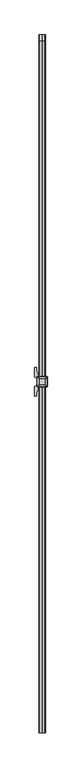
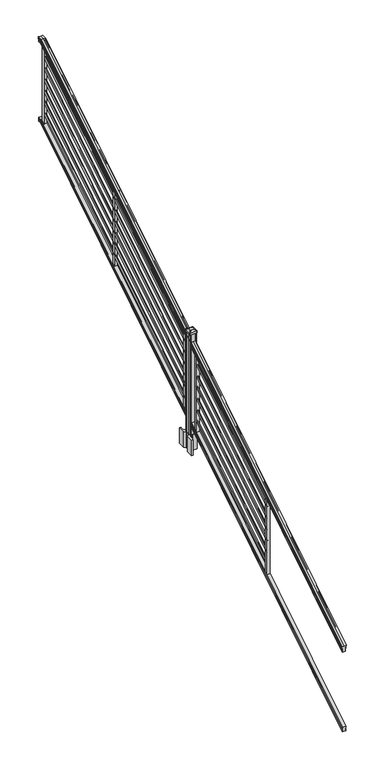
"""IFC4 building model written with IfcOpenShell, lengths in millimetres: railing geometry."""

from ifc_helpers import new_model, si_unit, point, frame, frame_2d, origin, origin_2d, place, context, project, spatial, polyline, circle_curve, ellipse_curve, trimmed, segment, composite_curve, outline, extrude, faceted_brep, source, transform, mapped, element, save
from ifc_brep_helpers import plane_surface, cylinder_surface, revolved_surface, extruded_surface, advanced_brep


def railing_422adc8f(model_context):
    return source(origin(), model_context, "Body", "SolidModel", [
        advanced_brep(
        [(8349.0704765, -142728.8628453, 1117.9670492), (8349.0704765, -142728.8628453, 1120.1935658), (8350.2006628, -142728.8628453, 1122.0358543), (8350.2006628, -142728.8628453, 1130.5476358), (8349.5514064, -142728.8628453, 1133.4172588), (8352.0514064, -142728.8628453, 1138.5235509), (8353.4607489, -142728.8628453, 1140.5042021), (8353.8626479, -142728.8628453, 1141.8069579), (8353.8626478, -142728.8628453, 1143.3874846), (8352.3092005, -142728.8628453, 1145.2193836), (8331.6376478, -142728.8628453, 1145.2193836), (8310.966095, -142728.8628453, 1145.2193836), (8309.4126478, -142728.8628453, 1143.3874846), (8309.4126478, -142728.8628453, 1141.8069579), (8309.8145467, -142728.8628453, 1140.5042021), (8311.2238891, -142728.8628453, 1138.5235509), (8313.7238891, -142728.8628453, 1133.4172588), (8313.0746327, -142728.8628453, 1130.5476358), (8313.0746327, -142728.8628453, 1122.0358543), (8314.204819, -142728.8628453, 1120.1935658), (8314.204819, -142728.8628453, 1117.9670492), (8316.7786478, -142728.8628453, 1117.9670492), (8316.7786478, -142728.8628453, 1105.585537), (8315.7626478, -142728.8628453, 1104.3874214), (8315.7626478, -142728.8628453, 1089.66), (8347.5126478, -142728.8628453, 1089.66), (8347.5126478, -142728.8628453, 1104.201318), (8346.4966478, -142728.8628453, 1105.3994336), (8346.4966478, -142728.8628453, 1117.9670492), (8349.0704765, -137852.0628453, 4142.6143297), (8346.4966478, -137852.0628453, 4142.6143297), (8346.4966478, -137852.0628453, 4131.957013), (8347.5126478, -137852.0628453, 4130.941013), (8347.5126478, -137852.0628453, 4118.61), (8315.7626478, -137852.0628453, 4118.61), (8315.7626478, -137852.0628453, 4131.0988283), (8316.7786478, -137852.0628453, 4132.1148283), (8316.7786478, -137852.0628453, 4142.6143297), (8314.204819, -137852.0628453, 4142.6143297), (8314.204819, -137852.0628453, 4144.502412), (8313.0746327, -137852.0628453, 4146.0646695), (8313.0746327, -137852.0628453, 4153.2826458), (8313.7238891, -137852.0628453, 4155.7160812), (8311.2238891, -137852.0628453, 4160.0462082), (8309.8145467, -137852.0628453, 4161.7257972), (8309.4126477, -137852.0628453, 4162.8305318), (8309.4126478, -137852.0628453, 4164.1708158), (8310.966095, -137852.0628453, 4165.724263), (8331.6376478, -137852.0628453, 4165.724263), (8352.3092005, -137852.0628453, 4165.724263), (8353.8626478, -137852.0628453, 4164.1708158), (8353.8626478, -137852.0628453, 4162.8305318), (8353.4607489, -137852.0628453, 4161.7257972), (8352.0514064, -137852.0628453, 4160.0462082), (8349.5514064, -137852.0628453, 4155.7160812), (8350.2006628, -137852.0628453, 4153.2826458), (8350.2006628, -137852.0628453, 4146.0646695), (8349.0704765, -137852.0628453, 4144.502412), (8346.4966478, -137889.4271965, 4142.6143297), (8349.0704765, -137889.4271965, 4142.6143297), (8346.4966478, -137886.3707182, 4131.957013), (8347.5126478, -137886.0793333, 4130.941013), (8347.5126478, -137882.5428453, 4118.61), (8315.7626478, -137882.5428453, 4118.61), (8315.7626478, -137886.1245941, 4131.0988283), (8316.7786478, -137886.4159791, 4132.1148283), (8316.7786478, -137889.4271965, 4142.6143297), (8314.204819, -137889.4271965, 4142.6143297), (8314.204819, -137889.9686913, 4144.502412), (8313.0746327, -137890.4167409, 4146.0646695), (8313.0746327, -137892.4868293, 4153.2826458), (8313.7238891, -137893.1847294, 4155.7160812), (8311.2238891, -137894.4265935, 4160.0462082), (8309.8145467, -137894.9082932, 4161.7257972), (8309.4126477, -137895.2251269, 4162.8305318), (8309.4126478, -137895.6095153, 4164.1708158), (8310.966095, -137896.0550381, 4165.724263), (8331.6376478, -137896.0550381, 4165.724263), (8352.3092005, -137896.0550381, 4165.724263), (8353.8626478, -137895.6095153, 4164.1708158), (8353.8626478, -137895.2251269, 4162.8305318), (8353.4607489, -137894.9082932, 4161.7257972), (8352.0514064, -137894.4265935, 4160.0462082), (8349.5514064, -137893.1847294, 4155.7160812), (8350.2006628, -137892.4868293, 4153.2826458), (8350.2006628, -137890.4167409, 4146.0646695), (8349.0704765, -137889.9686913, 4144.502412)],
        [
            (0, 1),
            (1, 2, ellipse_curve(frame((8342.7557232, -142728.8628453, 1126.9839405), z_axis=(0.0, -1.0, 0.0), x_axis=(0.0, 0.0, -1.0)), 10.0777926, 8.545951)),
            (2, 3, ellipse_curve(frame((8343.1927862, -142728.8628453, 1126.2917451), z_axis=(0.0, -1.0, 0.0), x_axis=(0.0, 0.0, -1.0)), 9.2955186, 7.882584)),
            (3, 4, ellipse_curve(frame((8353.7061103, -142728.8628453, 1133.1875077), z_axis=(0.0, 1.0, 0.0), x_axis=(0.0, 0.0, 1.0)), 4.9048088, 4.1592695)),
            (4, 5, ellipse_curve(frame((8354.9934169, -142728.8628453, 1133.1163208), z_axis=(0.0, 1.0, 0.0), x_axis=(0.0, 0.0, 1.0)), 6.4245301, 5.4479907)),
            (5, 6, ellipse_curve(frame((8353.7602584, -142728.8628453, 1138.5202333), z_axis=(0.0, 1.0, 0.0), x_axis=(0.0, 0.0, 1.0)), 2.0151625, 1.7088543)),
            (6, 7, ellipse_curve(frame((8352.1433583, -142728.8628453, 1141.8069579), z_axis=(0.0, -1.0, 0.0), x_axis=(0.0, 0.0, -1.0)), 2.0274681, 1.7192895)),
            (7, 8),
            (8, 9, ellipse_curve(frame((8352.3092005, -142728.8628453, 1143.3874846), z_axis=(0.0, -1.0, 0.0), x_axis=(0.0, 0.0, -1.0)), 1.831899, 1.5534472)),
            (9, 10),
            (10, 11),
            (11, 12, ellipse_curve(frame((8310.966095, -142728.8628453, 1143.3874846), z_axis=(0.0, -1.0, 0.0), x_axis=(0.0, 0.0, -1.0)), 1.831899, 1.5534472)),
            (12, 13),
            (13, 14, ellipse_curve(frame((8311.1319372, -142728.8628453, 1141.8069579), z_axis=(0.0, -1.0, 0.0), x_axis=(0.0, 0.0, -1.0)), 2.0274681, 1.7192895)),
            (14, 15, ellipse_curve(frame((8309.5150371, -142728.8628453, 1138.5202333), z_axis=(0.0, 1.0, 0.0), x_axis=(0.0, 0.0, 1.0)), 2.0151625, 1.7088543)),
            (15, 16, ellipse_curve(frame((8308.2818787, -142728.8628453, 1133.1163208), z_axis=(0.0, 1.0, 0.0), x_axis=(0.0, 0.0, 1.0)), 6.4245301, 5.4479907)),
            (16, 17, ellipse_curve(frame((8309.5691852, -142728.8628453, 1133.1875077), z_axis=(0.0, 1.0, 0.0), x_axis=(0.0, 0.0, 1.0)), 4.9048088, 4.1592695)),
            (17, 18, ellipse_curve(frame((8320.0825093, -142728.8628453, 1126.2917451), z_axis=(0.0, -1.0, 0.0), x_axis=(0.0, 0.0, -1.0)), 9.2955186, 7.882584)),
            (18, 19, ellipse_curve(frame((8320.5195723, -142728.8628453, 1126.9839405), z_axis=(0.0, -1.0, 0.0), x_axis=(0.0, 0.0, -1.0)), 10.0777926, 8.545951)),
            (19, 20),
            (20, 21, ellipse_curve(frame((8315.4917334, -142728.8628453, 1117.9670492), z_axis=(0.0, -1.0, 0.0), x_axis=(0.0, 0.0, -1.0)), 1.5175907, 1.2869144)),
            (21, 22),
            (22, 23),
            (23, 24),
            (24, 25),
            (25, 26),
            (26, 27),
            (27, 28),
            (28, 0, ellipse_curve(frame((8347.7835621, -142728.8628453, 1117.9670492), z_axis=(0.0, -1.0, 0.0), x_axis=(0.0, 0.0, -1.0)), 1.5175907, 1.2869144)),
            (29, 30, circle_curve(frame((8347.7835621, -137852.0628453, 4142.6143297), z_axis=(0.0, 1.0, 0.0), x_axis=(-1.0, 0.0, 0.0)), 1.2869144)),
            (30, 31),
            (31, 32),
            (32, 33),
            (33, 34),
            (34, 35),
            (35, 36),
            (36, 37),
            (37, 38, circle_curve(frame((8315.4917334, -137852.0628453, 4142.6143297), z_axis=(0.0, 1.0, 0.0), x_axis=(1.0, 0.0, 0.0)), 1.2869144)),
            (38, 39),
            (39, 40, circle_curve(frame((8320.5195723, -137852.0628453, 4150.2606383), z_axis=(0.0, 1.0, 0.0), x_axis=(1.0, 0.0, 0.0)), 8.545951)),
            (40, 41, circle_curve(frame((8320.0825093, -137852.0628453, 4149.6736577), z_axis=(0.0, 1.0, 0.0), x_axis=(1.0, 0.0, 0.0)), 7.882584)),
            (41, 42, circle_curve(frame((8309.5691852, -137852.0628453, 4155.5212527), z_axis=(0.0, -1.0, 0.0), x_axis=(1.0, 0.0, 0.0)), 4.1592695)),
            (42, 43, circle_curve(frame((8308.2818787, -137852.0628453, 4155.4608864), z_axis=(0.0, -1.0, 0.0), x_axis=(1.0, 0.0, 0.0)), 5.4479907)),
            (43, 44, circle_curve(frame((8309.5150371, -137852.0628453, 4160.043395), z_axis=(0.0, -1.0, 0.0), x_axis=(1.0, 0.0, 0.0)), 1.7088543)),
            (44, 45, circle_curve(frame((8311.1319372, -137852.0628453, 4162.8305318), z_axis=(0.0, 1.0, 0.0), x_axis=(1.0, 0.0, 0.0)), 1.7192895)),
            (45, 46),
            (46, 47, circle_curve(frame((8310.966095, -137852.0628453, 4164.1708158), z_axis=(0.0, 1.0, 0.0), x_axis=(1.0, 0.0, 0.0)), 1.5534472)),
            (47, 48),
            (48, 49),
            (49, 50, circle_curve(frame((8352.3092005, -137852.0628453, 4164.1708158), z_axis=(0.0, 1.0, 0.0), x_axis=(-1.0, 0.0, 0.0)), 1.5534472)),
            (50, 51),
            (51, 52, circle_curve(frame((8352.1433583, -137852.0628453, 4162.8305318), z_axis=(0.0, 1.0, 0.0), x_axis=(-1.0, 0.0, 0.0)), 1.7192895)),
            (52, 53, circle_curve(frame((8353.7602584, -137852.0628453, 4160.043395), z_axis=(0.0, -1.0, 0.0), x_axis=(-1.0, 0.0, 0.0)), 1.7088543)),
            (53, 54, circle_curve(frame((8354.9934169, -137852.0628453, 4155.4608864), z_axis=(0.0, -1.0, 0.0), x_axis=(-1.0, 0.0, 0.0)), 5.4479907)),
            (54, 55, circle_curve(frame((8353.7061103, -137852.0628453, 4155.5212527), z_axis=(0.0, -1.0, 0.0), x_axis=(-1.0, 0.0, 0.0)), 4.1592695)),
            (55, 56, circle_curve(frame((8343.1927862, -137852.0628453, 4149.6736577), z_axis=(0.0, 1.0, 0.0), x_axis=(-1.0, 0.0, 0.0)), 7.882584)),
            (56, 57, circle_curve(frame((8342.7557232, -137852.0628453, 4150.2606383), z_axis=(0.0, 1.0, 0.0), x_axis=(-1.0, 0.0, 0.0)), 8.545951)),
            (57, 29),
            (28, 58),
            (58, 59, ellipse_curve(frame((8347.7835621, -137889.4271965, 4142.6143297), z_axis=(0.0, -0.9612487461643644, -0.2756825130425167), x_axis=(0.0, 0.2756825130425169, -0.9612487461643643)), 1.3387943, 1.2869144)),
            (59, 0),
            (27, 60),
            (60, 58),
            (26, 61),
            (61, 60),
            (25, 62),
            (62, 61),
            (24, 63),
            (63, 62),
            (23, 64),
            (64, 63),
            (22, 65),
            (65, 64),
            (21, 66),
            (66, 65),
            (20, 67),
            (67, 66, ellipse_curve(frame((8315.4917334, -137889.4271965, 4142.6143297), z_axis=(0.0, -0.9612487461643644, -0.2756825130425167), x_axis=(0.0, 0.2756825130425169, -0.9612487461643643)), 1.3387943, 1.2869144)),
            (19, 68),
            (68, 67),
            (18, 69),
            (69, 68, ellipse_curve(frame((8320.5195723, -137891.6201289, 4150.2606383), z_axis=(0.0, -0.9612487461643644, -0.2756825130425167), x_axis=(0.0, 0.2756825130425169, -0.9612487461643643)), 8.8904678, 8.545951)),
            (17, 70),
            (70, 69, ellipse_curve(frame((8320.0825093, -137891.4517851, 4149.6736577), z_axis=(0.0, -0.9612487461643644, -0.2756825130425167), x_axis=(0.0, 0.2756825130425169, -0.9612487461643643)), 8.2003581, 7.882584)),
            (16, 71),
            (71, 70, ellipse_curve(frame((8309.5691852, -137893.1288533, 4155.5212527), z_axis=(0.0, 0.9612487461643644, 0.2756825130425167), x_axis=(0.0, -0.2756825130425169, 0.9612487461643643)), 4.326944, 4.1592695)),
            (15, 72),
            (72, 71, ellipse_curve(frame((8308.2818787, -137893.1115404, 4155.4608864), z_axis=(0.0, 0.9612487461643644, 0.2756825130425167), x_axis=(0.0, -0.2756825130425169, 0.9612487461643643)), 5.667618, 5.4479907)),
            (14, 73),
            (73, 72, ellipse_curve(frame((8309.5150371, -137894.4257866, 4160.043395), z_axis=(0.0, 0.9612487461643644, 0.2756825130425167), x_axis=(0.0, -0.2756825130425169, 0.9612487461643643)), 1.7777442, 1.7088543)),
            (13, 74),
            (74, 73, ellipse_curve(frame((8311.1319372, -137895.2251269, 4162.8305318), z_axis=(0.0, -0.9612487461643644, -0.2756825130425167), x_axis=(0.0, 0.2756825130425169, -0.9612487461643643)), 1.7886, 1.7192895)),
            (12, 75),
            (75, 74),
            (11, 76),
            (76, 75, ellipse_curve(frame((8310.966095, -137895.6095153, 4164.1708158), z_axis=(0.0, -0.9612487461643644, -0.2756825130425167), x_axis=(0.0, 0.2756825130425169, -0.9612487461643643)), 1.6160721, 1.5534472)),
            (10, 77),
            (77, 76),
            (9, 78),
            (78, 77),
            (8, 79),
            (79, 78, ellipse_curve(frame((8352.3092005, -137895.6095153, 4164.1708158), z_axis=(0.0, -0.9612487461643644, -0.2756825130425167), x_axis=(0.0, 0.2756825130425169, -0.9612487461643643)), 1.6160721, 1.5534472)),
            (7, 80),
            (80, 79),
            (6, 81),
            (81, 80, ellipse_curve(frame((8352.1433583, -137895.2251269, 4162.8305318), z_axis=(0.0, -0.9612487461643644, -0.2756825130425167), x_axis=(0.0, 0.2756825130425169, -0.9612487461643643)), 1.7886, 1.7192895)),
            (5, 82),
            (82, 81, ellipse_curve(frame((8353.7602584, -137894.4257866, 4160.043395), z_axis=(0.0, 0.9612487461643644, 0.2756825130425167), x_axis=(0.0, -0.2756825130425169, 0.9612487461643643)), 1.7777442, 1.7088543)),
            (4, 83),
            (83, 82, ellipse_curve(frame((8354.9934169, -137893.1115404, 4155.4608864), z_axis=(0.0, 0.9612487461643644, 0.2756825130425167), x_axis=(0.0, -0.2756825130425169, 0.9612487461643643)), 5.667618, 5.4479907)),
            (3, 84),
            (84, 83, ellipse_curve(frame((8353.7061103, -137893.1288533, 4155.5212527), z_axis=(0.0, 0.9612487461643644, 0.2756825130425167), x_axis=(0.0, -0.2756825130425169, 0.9612487461643643)), 4.326944, 4.1592695)),
            (2, 85),
            (85, 84, ellipse_curve(frame((8343.1927862, -137891.4517851, 4149.6736577), z_axis=(0.0, -0.9612487461643644, -0.2756825130425167), x_axis=(0.0, 0.2756825130425169, -0.9612487461643643)), 8.2003581, 7.882584)),
            (1, 86),
            (86, 85, ellipse_curve(frame((8342.7557232, -137891.6201289, 4150.2606383), z_axis=(0.0, -0.9612487461643644, -0.2756825130425167), x_axis=(0.0, 0.2756825130425169, -0.9612487461643643)), 8.8904678, 8.545951)),
            (59, 86),
            (58, 30),
            (29, 59),
            (60, 31),
            (61, 32),
            (62, 33),
            (63, 34),
            (64, 35),
            (65, 36),
            (66, 37),
            (67, 38),
            (68, 39),
            (69, 40),
            (70, 41),
            (71, 42),
            (72, 43),
            (73, 44),
            (74, 45),
            (75, 46),
            (76, 47),
            (77, 48),
            (78, 49),
            (79, 50),
            (80, 51),
            (81, 52),
            (82, 53),
            (83, 54),
            (84, 55),
            (85, 56),
            (86, 57),
        ],
        [
            plane_surface(frame((8331.6376478, -142728.8628453, 1089.66), z_axis=(0.0, -1.0, 0.0), x_axis=(0.0, 0.0, 1.0))),
            plane_surface(frame((8331.6376478, -137852.0628453, 4118.61), z_axis=(0.0, 1.0, 0.0), x_axis=(0.0, 0.0, 1.0))),
            cylinder_surface(frame((8347.7835621, -142741.5851146, 1110.0156309), z_axis=(0.0, -0.8479983040051253, -0.5299989400031204), x_axis=(-1.0, 0.0, 0.0)), 1.2869144),
            plane_surface(frame((8346.4966478, -142728.8628453, 1105.3994336), z_axis=(1.0, 0.0, 0.0), x_axis=(0.0, 0.8479983040051258, 0.5299989400031196))),
            plane_surface(frame((8347.5126478, -142728.8628453, 1104.201318), z_axis=(0.707106781186539, -0.37476584449789463, 0.599625351196722), x_axis=(0.0, 0.8479983040051247, 0.5299989400031213))),
            plane_surface(frame((8347.5126478, -142728.8628453, 1089.66), z_axis=(1.0000000000000002, 0.0, 0.0), x_axis=(0.0, 0.8479983040051253, 0.5299989400031204))),
            plane_surface(frame((8315.7626478, -142728.8628453, 1089.66), z_axis=(0.0, 0.5299989400031204, -0.8479983040051252), x_axis=(0.0, 0.8479983040051252, 0.5299989400031204))),
            plane_surface(frame((8315.7626478, -142728.8628453, 1104.3874214), z_axis=(-1.0, 0.0, 0.0), x_axis=(0.0, 0.8479983040051248, 0.5299989400031211))),
            plane_surface(frame((8316.7786478, -142728.8628453, 1105.585537), z_axis=(-0.7071067811865438, -0.37476584449789047, 0.5996253511967189), x_axis=(0.0, 0.8479983040051248, 0.5299989400031213))),
            plane_surface(frame((8316.7786478, -142728.8628453, 1117.9670492), z_axis=(-1.0, 0.0, 0.0), x_axis=(0.0, 0.8479983040051253, 0.5299989400031203))),
            cylinder_surface(frame((8315.4917334, -142741.5851146, 1110.0156309), z_axis=(0.0, -0.8479983040051253, -0.5299989400031204), x_axis=(1.0, 0.0, 0.0)), 1.2869144),
            plane_surface(frame((8314.204819, -142728.8628453, 1120.1935658), z_axis=(-1.0000000000000002, 0.0, 0.0), x_axis=(0.0, 0.8479983040051249, 0.5299989400031211))),
            cylinder_surface(frame((8320.5195723, -142745.63765, 1116.4996876), z_axis=(0.0, -0.8479983040051253, -0.5299989400031204), x_axis=(1.0, 0.0, 0.0)), 8.545951),
            cylinder_surface(frame((8320.0825093, -142745.3265509, 1116.001929), z_axis=(0.0, -0.8479983040051253, -0.5299989400031204), x_axis=(1.0, 0.0, 0.0)), 7.882584),
            revolved_surface(polyline([(8313.7284547, -137892.1173076721, 4156.153468716956), (8313.7284547, -142731.06725374944, 1131.8097524191019)]), (8309.5691852, -142748.4257701, 1120.9606797), (0.0, 0.8479983040051253, 0.5299989400031204)),
            revolved_surface(polyline([(8313.7298694, -137891.78657425637, 4156.288990189309), (8313.7298694, -142731.75027455282, 1131.3116775044994)]), (8308.2818787, -142748.393776, 1120.9094891), (0.0, 0.8479983040051253, 0.5299989400031204)),
            revolved_surface(polyline([(8311.2238914, -137894.01018858227, 4160.303143773098), (8311.2238914, -142729.76853632246, 1137.9541764359478)]), (8309.5150371, -142750.8225007, 1124.7954487), (0.0, 0.8479983040051253, 0.5299989400031204)),
            cylinder_surface(frame((8311.1319372, -142752.2996803, 1127.158936), z_axis=(0.0, -0.8479983040051253, -0.5299989400031204), x_axis=(1.0, 0.0, 0.0)), 1.7192895),
            plane_surface(frame((8309.4126478, -142728.8628453, 1143.3874846), z_axis=(-1.0, 0.0, 0.0), x_axis=(0.0, 0.8479983040051248, 0.5299989400031212))),
            cylinder_surface(frame((8310.966095, -142753.0100294, 1128.2954945), z_axis=(0.0, -0.8479983040051253, -0.5299989400031204), x_axis=(1.0, 0.0, 0.0)), 1.5534472),
            plane_surface(frame((8331.6376478, -142728.8628453, 1145.2193836), z_axis=(0.0, -0.5299989400031198, 0.8479983040051257), x_axis=(0.0, 0.8479983040051257, 0.5299989400031198))),
            plane_surface(frame((8352.3092005, -142728.8628453, 1145.2193836), z_axis=(0.0, -0.5299989400031198, 0.8479983040051257), x_axis=(0.0, 0.8479983040051257, 0.5299989400031198))),
            cylinder_surface(frame((8352.3092005, -142753.0100294, 1128.2954945), z_axis=(0.0, -0.8479983040051253, -0.5299989400031204), x_axis=(-1.0, 0.0, 0.0)), 1.5534472),
            plane_surface(frame((8353.8626478, -142728.8628453, 1141.8069579), z_axis=(1.0, 0.0, 0.0), x_axis=(0.0, 0.8479983040051257, 0.5299989400031198))),
            cylinder_surface(frame((8352.1433583, -142752.2996803, 1127.158936), z_axis=(0.0, -0.8479983040051253, -0.5299989400031204), x_axis=(-1.0, 0.0, 0.0)), 1.7192895),
            revolved_surface(polyline([(8352.051404099999, -137894.01018858227, 4160.303143773098), (8352.051404099999, -142729.76853632246, 1137.9541764359478)]), (8353.7602584, -142750.8225007, 1124.7954487), (0.0, 0.8479983040051253, 0.5299989400031204)),
            revolved_surface(polyline([(8349.5454262, -137891.78657425637, 4156.288990189309), (8349.5454262, -142731.75027455282, 1131.3116775044994)]), (8354.9934169, -142748.393776, 1120.9094891), (0.0, 0.8479983040051253, 0.5299989400031204)),
            revolved_surface(polyline([(8349.5468408, -137892.1173076721, 4156.153468716956), (8349.5468408, -142731.06725374944, 1131.8097524191019)]), (8353.7061103, -142748.4257701, 1120.9606797), (0.0, 0.8479983040051253, 0.5299989400031204)),
            cylinder_surface(frame((8343.1927862, -142745.3265509, 1116.001929), z_axis=(0.0, -0.8479983040051253, -0.5299989400031204), x_axis=(-1.0, 0.0, 0.0)), 7.882584),
            cylinder_surface(frame((8342.7557232, -142745.63765, 1116.4996876), z_axis=(0.0, -0.8479983040051253, -0.5299989400031204), x_axis=(-1.0, 0.0, 0.0)), 8.545951),
            plane_surface(frame((8349.0704765, -142728.8628453, 1117.9670492), z_axis=(1.0, 0.0, 0.0), x_axis=(0.0, 0.8479983040051253, 0.5299989400031203))),
            cylinder_surface(frame((8347.7835621, -137882.5428453, 4142.6143297), z_axis=(0.0, -1.0, 0.0), x_axis=(-1.0, 0.0, 0.0)), 1.2869144),
            plane_surface(frame((8346.4966478, -137886.3707182, 4131.957013), z_axis=(1.0, 0.0, 0.0), x_axis=(0.0, 1.0, 0.0))),
            plane_surface(frame((8347.5126478, -137886.0793333, 4130.941013), z_axis=(0.7071067811865398, 0.0, 0.7071067811865553), x_axis=(0.0, 1.0, 0.0))),
            plane_surface(frame((8347.5126478, -137882.5428453, 4118.61), z_axis=(1.0, 0.0, 0.0), x_axis=(0.0, 1.0, 0.0))),
            plane_surface(frame((8315.7626478, -137882.5428453, 4118.61), z_axis=(0.0, 0.0, -1.0), x_axis=(0.0, 1.0, 0.0))),
            plane_surface(frame((8315.7626478, -137886.1245941, 4131.0988283), z_axis=(-1.0, 0.0, 0.0), x_axis=(0.0, 1.0, 0.0))),
            plane_surface(frame((8316.7786478, -137886.4159791, 4132.1148283), z_axis=(-0.7071067811865428, 0.0, 0.7071067811865523), x_axis=(0.0, 1.0, 0.0))),
            plane_surface(frame((8316.7786478, -137889.4271965, 4142.6143297), z_axis=(-1.0, 0.0, 0.0), x_axis=(0.0, 1.0, 0.0))),
            cylinder_surface(frame((8315.4917334, -137882.5428453, 4142.6143297), z_axis=(0.0, -1.0, 0.0), x_axis=(1.0, 0.0, 0.0)), 1.2869144),
            plane_surface(frame((8314.204819, -137889.9686913, 4144.502412), z_axis=(-1.0, 0.0, 0.0), x_axis=(0.0, 1.0, 0.0))),
            cylinder_surface(frame((8320.5195723, -137882.5428453, 4150.2606383), z_axis=(0.0, -1.0, 0.0), x_axis=(1.0, 0.0, 0.0)), 8.545951),
            cylinder_surface(frame((8320.0825093, -137882.5428453, 4149.6736577), z_axis=(0.0, -1.0, 0.0), x_axis=(1.0, 0.0, 0.0)), 7.882584),
            revolved_surface(polyline([(8313.7284547, -137852.0628453, 4155.5212527), (8313.7284547, -137894.32171609573, 4155.5212527)]), (8309.5691852, -137882.5428453, 4155.5212527), (0.0, 1.0, 0.0)),
            revolved_surface(polyline([(8313.7298694, -137852.0628453, 4155.4608864), (8313.7298694, -137894.6740035732, 4155.4608864)]), (8308.2818787, -137882.5428453, 4155.4608864), (0.0, 1.0, 0.0)),
            revolved_surface(polyline([(8311.2238914, -137852.0628453, 4160.043395), (8311.2238914, -137894.9158795886, 4160.043395)]), (8309.5150371, -137882.5428453, 4160.043395), (0.0, 1.0, 0.0)),
            cylinder_surface(frame((8311.1319372, -137882.5428453, 4162.8305318), z_axis=(0.0, -1.0, 0.0), x_axis=(1.0, 0.0, 0.0)), 1.7192895),
            plane_surface(frame((8309.4126478, -137895.6095153, 4164.1708158), z_axis=(-1.0, 0.0, 0.0), x_axis=(0.0, 1.0, 0.0))),
            cylinder_surface(frame((8310.966095, -137882.5428453, 4164.1708158), z_axis=(0.0, -1.0, 0.0), x_axis=(1.0, 0.0, 0.0)), 1.5534472),
            plane_surface(frame((8331.6376478, -137896.0550381, 4165.724263), z_axis=(0.0, 0.0, 1.0), x_axis=(0.0, 1.0, 0.0))),
            plane_surface(frame((8352.3092005, -137896.0550381, 4165.724263), z_axis=(0.0, 0.0, 1.0), x_axis=(0.0, 1.0, 0.0))),
            cylinder_surface(frame((8352.3092005, -137882.5428453, 4164.1708158), z_axis=(0.0, -1.0, 0.0), x_axis=(-1.0, 0.0, 0.0)), 1.5534472),
            plane_surface(frame((8353.8626478, -137895.2251269, 4162.8305318), z_axis=(1.0, 0.0, 0.0), x_axis=(0.0, 1.0, 0.0))),
            cylinder_surface(frame((8352.1433583, -137882.5428453, 4162.8305318), z_axis=(0.0, -1.0, 0.0), x_axis=(-1.0, 0.0, 0.0)), 1.7192895),
            revolved_surface(polyline([(8352.051404099999, -137852.0628453, 4160.043395), (8352.051404099999, -137894.9158795886, 4160.043395)]), (8353.7602584, -137882.5428453, 4160.043395), (0.0, 1.0, 0.0)),
            revolved_surface(polyline([(8349.5454262, -137852.0628453, 4155.4608864), (8349.5454262, -137894.6740035732, 4155.4608864)]), (8354.9934169, -137882.5428453, 4155.4608864), (0.0, 1.0, 0.0)),
            revolved_surface(polyline([(8349.5468408, -137852.0628453, 4155.5212527), (8349.5468408, -137894.32171609573, 4155.5212527)]), (8353.7061103, -137882.5428453, 4155.5212527), (0.0, 1.0, 0.0)),
            cylinder_surface(frame((8343.1927862, -137882.5428453, 4149.6736577), z_axis=(0.0, -1.0, 0.0), x_axis=(-1.0, 0.0, 0.0)), 7.882584),
            cylinder_surface(frame((8342.7557232, -137882.5428453, 4150.2606383), z_axis=(0.0, -1.0, 0.0), x_axis=(-1.0, 0.0, 0.0)), 8.545951),
            plane_surface(frame((8349.0704765, -137889.4271965, 4142.6143297), z_axis=(1.0, 0.0, 0.0), x_axis=(0.0, 1.0, 0.0))),
        ],
        [
            (0, [[1, 2, 3, 4, 5, 6, 7, 8, 9, 10, 11, 12, 13, 14, 15, 16, 17, 18, 19, 20, 21, 22, 23, 24, 25, 26, 27, 28, 29]]),
            (1, [[30, 31, 32, 33, 34, 35, 36, 37, 38, 39, 40, 41, 42, 43, 44, 45, 46, 47, 48, 49, 50, 51, 52, 53, 54, 55, 56, 57, 58]]),
            (2, [[-29, 59, 60, 61]]),
            (3, [[-28, 62, 63, -59]]),
            (4, [[-27, 64, 65, -62]]),
            (5, [[-26, 66, 67, -64]]),
            (6, [[-25, 68, 69, -66]]),
            (7, [[-24, 70, 71, -68]]),
            (8, [[-23, 72, 73, -70]]),
            (9, [[-22, 74, 75, -72]]),
            (10, [[-21, 76, 77, -74]]),
            (11, [[-20, 78, 79, -76]]),
            (12, [[-19, 80, 81, -78]]),
            (13, [[-18, 82, 83, -80]]),
            (14, [[-17, 84, 85, -82]]),
            (15, [[-16, 86, 87, -84]]),
            (16, [[-15, 88, 89, -86]]),
            (17, [[-14, 90, 91, -88]]),
            (18, [[-13, 92, 93, -90]]),
            (19, [[-12, 94, 95, -92]]),
            (20, [[-11, 96, 97, -94]]),
            (21, [[-10, 98, 99, -96]]),
            (22, [[-9, 100, 101, -98]]),
            (23, [[-8, 102, 103, -100]]),
            (24, [[-7, 104, 105, -102]]),
            (25, [[-6, 106, 107, -104]]),
            (26, [[-5, 108, 109, -106]]),
            (27, [[-4, 110, 111, -108]]),
            (28, [[-3, 112, 113, -110]]),
            (29, [[-2, 114, 115, -112]]),
            (30, [[-1, -61, 116, -114]]),
            (31, [[-60, 117, -30, 118]]),
            (32, [[-63, 119, -31, -117]]),
            (33, [[-65, 120, -32, -119]]),
            (34, [[-67, 121, -33, -120]]),
            (35, [[-69, 122, -34, -121]]),
            (36, [[-71, 123, -35, -122]]),
            (37, [[-73, 124, -36, -123]]),
            (38, [[-75, 125, -37, -124]]),
            (39, [[-77, 126, -38, -125]]),
            (40, [[-79, 127, -39, -126]]),
            (41, [[-81, 128, -40, -127]]),
            (42, [[-83, 129, -41, -128]]),
            (43, [[-85, 130, -42, -129]]),
            (44, [[-87, 131, -43, -130]]),
            (45, [[-89, 132, -44, -131]]),
            (46, [[-91, 133, -45, -132]]),
            (47, [[-93, 134, -46, -133]]),
            (48, [[-95, 135, -47, -134]]),
            (49, [[-97, 136, -48, -135]]),
            (50, [[-99, 137, -49, -136]]),
            (51, [[-101, 138, -50, -137]]),
            (52, [[-103, 139, -51, -138]]),
            (53, [[-105, 140, -52, -139]]),
            (54, [[-107, 141, -53, -140]]),
            (55, [[-109, 142, -54, -141]]),
            (56, [[-111, 143, -55, -142]]),
            (57, [[-113, 144, -56, -143]]),
            (58, [[-115, 145, -57, -144]]),
            (59, [[-116, -118, -58, -145]]),
        ],
    ),
        faceted_brep([(8347.5501347, -142728.8628453, 325.4465079), (8346.5341347, -142728.8628453, 326.980026), (8346.5341347, -142728.8628453, 339.1965048), (8347.5501347, -142728.8628453, 340.7864579), (8347.5501347, -142728.8628453, 355.5664744), (8315.8001347, -142728.8628453, 355.5664744), (8315.8001347, -142728.8628453, 340.7668272), (8316.8161347, -142728.8628453, 339.1768741), (8316.8161347, -142728.8628453, 327.0168303), (8315.8001347, -142728.8628453, 325.4268772), (8315.8001347, -142728.8628453, 310.642), (8347.5501347, -142728.8628453, 310.642), (8347.5501347, -137852.0628453, 3352.1461976), (8347.5501347, -137852.0628453, 3339.592), (8315.8001347, -137852.0628453, 3339.592), (8315.8001347, -137852.0628453, 3352.1295508), (8316.8161347, -137852.0628453, 3353.4778283), (8316.8161347, -137852.0628453, 3363.7895248), (8315.8001347, -137852.0628453, 3365.1378024), (8315.8001347, -137852.0628453, 3377.6878781), (8347.5501347, -137852.0628453, 3377.6878781), (8347.5501347, -137852.0628453, 3365.1544492), (8346.5341347, -137852.0628453, 3363.8061717), (8346.5341347, -137852.0628453, 3353.4466183), (8347.5501347, -137882.5428453, 3339.592), (8347.5501347, -137886.1433418, 3352.1461976), (8315.8001347, -137882.5428453, 3339.592), (8315.8001347, -137886.1385675, 3352.1295508), (8316.8161347, -137886.5252485, 3353.4778283), (8316.8161347, -137889.4826041, 3363.7895248), (8315.8001347, -137889.869285, 3365.1378024), (8315.8001347, -137893.4685994, 3377.6878781), (8347.5501347, -137893.4685994, 3377.6878781), (8347.5501347, -137889.8740593, 3365.1544492), (8346.5341347, -137889.4873783, 3363.8061717), (8346.5341347, -137886.5162975, 3353.4466183)], [[[0, 1, 2, 3, 4, 5, 6, 7, 8, 9, 10, 11]], [[12, 13, 14, 15, 16, 17, 18, 19, 20, 21, 22, 23]], [[0, 11, 24, 25]], [[11, 10, 26, 24]], [[10, 9, 27, 26]], [[9, 8, 28, 27]], [[8, 7, 29, 28]], [[7, 6, 30, 29]], [[6, 5, 31, 30]], [[5, 4, 32, 31]], [[4, 3, 33, 32]], [[3, 2, 34, 33]], [[2, 1, 35, 34]], [[1, 0, 25, 35]], [[25, 24, 13, 12]], [[24, 26, 14, 13]], [[26, 27, 15, 14]], [[27, 28, 16, 15]], [[28, 29, 17, 16]], [[29, 30, 18, 17]], [[30, 31, 19, 18]], [[31, 32, 20, 19]], [[32, 33, 21, 20]], [[33, 34, 22, 21]], [[34, 35, 23, 22]], [[35, 25, 12, 23]]]),
        extrude(outline(polyline([(-137904.3868453, 3364.0353781), (-137929.7868453, 3348.1603781), (-137929.7868453, 4089.0825), (-137904.3868453, 4104.9575), (-137904.3868453, 3364.0353781)])), frame((8318.9376478, 0.0, 0.0), z_axis=(1.0, 0.0, 0.0), x_axis=(0.0, 1.0, 0.0)), (0.0, 0.0, 1.0), 25.4),
        extrude(outline(composite_curve([segment(trimmed(circle_curve(origin_2d(), 8.001), [point((0.0, 8.001))], [point((0.0, -8.001))], False, "CARTESIAN"), True, "CONTINUOUS"), segment(trimmed(circle_curve(origin_2d(), 8.001), [point((0.0, -8.001))], [point((0.0, 8.001))], False, "CARTESIAN"), True, "CONTINUOUS")], self_intersect=False)), frame((8331.3274858, -139055.0068453, 2745.9796159), z_axis=(0.0, 0.8479983040051253, 0.5299989400031202), x_axis=(1.0, 0.0, 0.0)), (0.0, 0.0, 1.0), 1347.8800542),
        extrude(outline(composite_curve([segment(trimmed(circle_curve(origin_2d(), 8.001), [point((0.0, 8.001))], [point((0.0, -8.001))], False, "CARTESIAN"), True, "CONTINUOUS"), segment(trimmed(circle_curve(origin_2d(), 8.001), [point((0.0, -8.001))], [point((0.0, 8.001))], False, "CARTESIAN"), True, "CONTINUOUS")], self_intersect=False)), frame((8331.3274858, -139055.0068453, 2857.1695274), z_axis=(0.0, 0.8479983040051253, 0.5299989400031202), x_axis=(1.0, 0.0, 0.0)), (0.0, 0.0, 1.0), 1347.8800542),
        extrude(outline(composite_curve([segment(trimmed(circle_curve(origin_2d(), 8.001), [point((0.0, 8.001))], [point((0.0, -8.001))], False, "CARTESIAN"), True, "CONTINUOUS"), segment(trimmed(circle_curve(origin_2d(), 8.001), [point((0.0, -8.001))], [point((0.0, 8.001))], False, "CARTESIAN"), True, "CONTINUOUS")], self_intersect=False)), frame((8331.3274858, -139055.0068453, 2968.359439), z_axis=(0.0, 0.8479983040051254, 0.5299989400031202), x_axis=(1.0, 0.0, 0.0)), (0.0, 0.0, 1.0), 1347.8800542),
        extrude(outline(composite_curve([segment(trimmed(circle_curve(origin_2d(), 8.001), [point((0.0, 8.001))], [point((0.0, -8.001))], False, "CARTESIAN"), True, "CONTINUOUS"), segment(trimmed(circle_curve(origin_2d(), 8.001), [point((0.0, -8.001))], [point((0.0, 8.001))], False, "CARTESIAN"), True, "CONTINUOUS")], self_intersect=False)), frame((8331.3274858, -139055.0068453, 3079.5493506), z_axis=(0.0, 0.8479983040051254, 0.5299989400031202), x_axis=(1.0, 0.0, 0.0)), (0.0, 0.0, 1.0), 1347.8800542),
        extrude(outline(composite_curve([segment(trimmed(circle_curve(origin_2d(), 8.001), [point((0.0, 8.001))], [point((0.0, -8.001))], False, "CARTESIAN"), True, "CONTINUOUS"), segment(trimmed(circle_curve(origin_2d(), 8.001), [point((0.0, -8.001))], [point((0.0, 8.001))], False, "CARTESIAN"), True, "CONTINUOUS")], self_intersect=False)), frame((8331.3274858, -139055.0068453, 3190.7392622), z_axis=(0.0, 0.8479983040051253, 0.5299989400031203), x_axis=(1.0, 0.0, 0.0)), (0.0, 0.0, 1.0), 1347.8800542),
        extrude(outline(composite_curve([segment(trimmed(circle_curve(origin_2d(), 8.001), [point((0.0, 8.001))], [point((0.0, -8.001))], False, "CARTESIAN"), True, "CONTINUOUS"), segment(trimmed(circle_curve(origin_2d(), 8.001), [point((0.0, -8.001))], [point((0.0, 8.001))], False, "CARTESIAN"), True, "CONTINUOUS")], self_intersect=False)), frame((8331.3274858, -139055.0068453, 3301.9291737), z_axis=(0.0, 0.8479983040051253, 0.5299989400031203), x_axis=(1.0, 0.0, 0.0)), (0.0, 0.0, 1.0), 1347.8800542),
        extrude(outline(polyline([(-139037.2268453, 2656.0103781), (-139062.6268453, 2640.1353781), (-139062.6268453, 3381.0575), (-139037.2268453, 3396.9325), (-139037.2268453, 2656.0103781)])), frame((8318.9376478, 0.0, 0.0), z_axis=(1.0, 0.0, 0.0), x_axis=(0.0, 1.0, 0.0)), (0.0, 0.0, 1.0), 25.4),
        extrude(outline(composite_curve([segment(trimmed(circle_curve(origin_2d(), 8.001), [point((0.0, 8.001))], [point((0.0, -8.001))], False, "CARTESIAN"), True, "CONTINUOUS"), segment(trimmed(circle_curve(origin_2d(), 8.001), [point((0.0, -8.001))], [point((0.0, 8.001))], False, "CARTESIAN"), True, "CONTINUOUS")], self_intersect=False)), frame((8331.3274858, -140187.8468453, 2037.9546159), z_axis=(0.0, 0.8479983040051253, 0.5299989400031202), x_axis=(1.0, 0.0, 0.0)), (0.0, 0.0, 1.0), 1347.8800542),
        extrude(outline(composite_curve([segment(trimmed(circle_curve(origin_2d(), 8.001), [point((0.0, 8.001))], [point((0.0, -8.001))], False, "CARTESIAN"), True, "CONTINUOUS"), segment(trimmed(circle_curve(origin_2d(), 8.001), [point((0.0, -8.001))], [point((0.0, 8.001))], False, "CARTESIAN"), True, "CONTINUOUS")], self_intersect=False)), frame((8331.3274858, -140187.8468453, 2149.1445274), z_axis=(0.0, 0.8479983040051253, 0.5299989400031202), x_axis=(1.0, 0.0, 0.0)), (0.0, 0.0, 1.0), 1347.8800542),
        extrude(outline(composite_curve([segment(trimmed(circle_curve(origin_2d(), 8.001), [point((0.0, 8.001))], [point((0.0, -8.001))], False, "CARTESIAN"), True, "CONTINUOUS"), segment(trimmed(circle_curve(origin_2d(), 8.001), [point((0.0, -8.001))], [point((0.0, 8.001))], False, "CARTESIAN"), True, "CONTINUOUS")], self_intersect=False)), frame((8331.3274858, -140187.8468453, 2260.334439), z_axis=(0.0, 0.8479983040051254, 0.5299989400031202), x_axis=(1.0, 0.0, 0.0)), (0.0, 0.0, 1.0), 1347.8800542),
        extrude(outline(composite_curve([segment(trimmed(circle_curve(origin_2d(), 8.001), [point((0.0, 8.001))], [point((0.0, -8.001))], False, "CARTESIAN"), True, "CONTINUOUS"), segment(trimmed(circle_curve(origin_2d(), 8.001), [point((0.0, -8.001))], [point((0.0, 8.001))], False, "CARTESIAN"), True, "CONTINUOUS")], self_intersect=False)), frame((8331.3274858, -140187.8468453, 2371.5243506), z_axis=(0.0, 0.8479983040051254, 0.5299989400031202), x_axis=(1.0, 0.0, 0.0)), (0.0, 0.0, 1.0), 1347.8800542),
        extrude(outline(composite_curve([segment(trimmed(circle_curve(origin_2d(), 8.001), [point((0.0, 8.001))], [point((0.0, -8.001))], False, "CARTESIAN"), True, "CONTINUOUS"), segment(trimmed(circle_curve(origin_2d(), 8.001), [point((0.0, -8.001))], [point((0.0, 8.001))], False, "CARTESIAN"), True, "CONTINUOUS")], self_intersect=False)), frame((8331.3274858, -140187.8468453, 2482.7142622), z_axis=(0.0, 0.8479983040051253, 0.5299989400031203), x_axis=(1.0, 0.0, 0.0)), (0.0, 0.0, 1.0), 1347.8800542),
        extrude(outline(composite_curve([segment(trimmed(circle_curve(origin_2d(), 8.001), [point((0.0, 8.001))], [point((0.0, -8.001))], False, "CARTESIAN"), True, "CONTINUOUS"), segment(trimmed(circle_curve(origin_2d(), 8.001), [point((0.0, -8.001))], [point((0.0, 8.001))], False, "CARTESIAN"), True, "CONTINUOUS")], self_intersect=False)), frame((8331.3274858, -140187.8468453, 2593.9041737), z_axis=(0.0, 0.8479983040051253, 0.5299989400031203), x_axis=(1.0, 0.0, 0.0)), (0.0, 0.0, 1.0), 1347.8800542),
        extrude(outline(polyline([(-140170.0668453, 1947.9853781), (-140195.4668453, 1932.1103781), (-140195.4668453, 2673.0325), (-140170.0668453, 2688.9075), (-140170.0668453, 1947.9853781)])), frame((8318.9376478, 0.0, 0.0), z_axis=(1.0, 0.0, 0.0), x_axis=(0.0, 1.0, 0.0)), (0.0, 0.0, 1.0), 25.4),
        extrude(outline(composite_curve([segment(polyline([(8364.6893978, -140293.3709401), (8366.2768978, -140294.1329401), (8366.2768978, -140307.6638682), (8363.0626707, -140310.8780953), (8311.3819999, -140310.8780953), (8311.3819999, -140311.7988453), (8315.7323311, -140311.7988453), (8315.7323311, -140313.2531), (8310.6478014, -140313.2531), (8310.6478014, -140314.5371238), (8318.4385135, -140314.5371238)]), True, "CONTINUOUS"), segment(trimmed(circle_curve(frame_2d((8318.4385135, -140331.2803337)), 16.7432099), [point((8318.4385135, -140314.5371238))], [point((8301.8163912, -140329.270327))], True, "CARTESIAN"), True, "CONTINUOUS"), segment(polyline([(8301.8163912, -140329.270327), (8294.1009469, -140346.3056654)]), True, "CONTINUOUS"), segment(trimmed(circle_curve(frame_2d((8339.2017103, -140362.5777151)), 47.9464123), [point((8294.1009469, -140346.3056654))], [point((8291.255298, -140362.5777151))], True, "CARTESIAN"), True, "CONTINUOUS"), segment(polyline([(8291.255298, -140362.5777151), (8291.255298, -140374.5864547), (8279.0517103, -140374.5864547), (8279.0517103, -140309.2905953), (8296.9983978, -140297.714179), (8296.9983978, -140294.1329401), (8298.5858978, -140293.3709401), (8298.5858978, -140259.1067504), (8296.9983978, -140258.3447504), (8296.9983978, -140254.7635116), (8279.0517103, -140243.1870953), (8279.0517103, -140177.8912359), (8291.255298, -140177.8912359), (8291.255298, -140189.8999755)]), True, "CONTINUOUS"), segment(trimmed(circle_curve(frame_2d((8339.2017103, -140189.8999755)), 47.9464123), [point((8291.255298, -140189.8999755))], [point((8294.1009469, -140206.1720251))], True, "CARTESIAN"), True, "CONTINUOUS"), segment(polyline([(8294.1009469, -140206.1720251), (8301.8163912, -140223.2073636)]), True, "CONTINUOUS"), segment(trimmed(circle_curve(frame_2d((8318.4385135, -140221.1973569)), 16.7432099), [point((8301.8163912, -140223.2073636))], [point((8318.4385135, -140237.9405668))], True, "CARTESIAN"), True, "CONTINUOUS"), segment(polyline([(8318.4385135, -140237.9405668), (8320.1057858, -140237.9405668), (8320.1057858, -140239.2245906), (8315.7323311, -140239.2245906), (8315.7323311, -140240.6788453), (8311.3819999, -140240.6788453), (8311.3819999, -140241.5995953), (8363.0626707, -140241.5995953), (8366.2768978, -140244.8138224), (8366.2768978, -140258.3447504), (8364.6893978, -140259.1067504), (8364.6893978, -140293.3709401)]), True, "CONTINUOUS")], self_intersect=False), holes=[polyline([(8299.8876478, -140246.0763453), (8299.8876478, -140306.4013453), (8301.4751478, -140307.9888453), (8328.8744304, -140307.9888453), (8361.8001478, -140307.9888453), (8363.3876478, -140306.4013453), (8363.3876478, -140246.0763453), (8361.8001478, -140244.4888453), (8328.8744304, -140244.4888453), (8301.4751478, -140244.4888453), (8299.8876478, -140246.0763453)])]), frame((0.0, 0.0, 1602.74), z_axis=(0.0, 0.0, 1.0), x_axis=(1.0, 0.0, 0.0)), (0.0, 0.0, 1.0), 152.4),
        advanced_brep(
        [(8315.7626478, -140295.2888453, 2768.089263), (8347.5126478, -140295.2888453, 2768.089263), (8350.6876478, -140292.1138453, 2768.089263), (8350.6876478, -140260.3638453, 2768.089263), (8347.5126478, -140257.1888453, 2768.089263), (8315.7626478, -140257.1888453, 2768.089263), (8312.5876478, -140260.3638453, 2768.089263), (8312.5876478, -140292.1138453, 2768.089263), (8299.2526478, -140311.7988453, 2756.786263), (8296.0776478, -140308.6238453, 2756.786263), (8296.0776478, -140243.8538453, 2756.786263), (8299.2526478, -140240.6788453, 2756.786263), (8364.0226478, -140240.6788453, 2756.786263), (8367.1976478, -140243.8538453, 2756.786263), (8367.1976478, -140308.6238453, 2756.786263), (8364.0226478, -140311.7988453, 2756.786263)],
        [
            (0, 1),
            (1, 2, circle_curve(frame((8347.5126478, -140292.1138453, 2768.089263), z_axis=(0.0, 0.0, 1.0), x_axis=(0.0, 1.0, 0.0)), 3.175)),
            (2, 3),
            (3, 4, circle_curve(frame((8347.5126478, -140260.3638453, 2768.089263), z_axis=(0.0, 0.0, 1.0), x_axis=(0.0, 1.0, 0.0)), 3.175)),
            (4, 5),
            (5, 6, circle_curve(frame((8315.7626478, -140260.3638453, 2768.089263), z_axis=(0.0, 0.0, 1.0), x_axis=(0.0, 1.0, 0.0)), 3.175)),
            (6, 7),
            (7, 0, circle_curve(frame((8315.7626478, -140292.1138453, 2768.089263), z_axis=(0.0, 0.0, 1.0), x_axis=(0.0, 1.0, 0.0)), 3.175)),
            (8, 9, circle_curve(frame((8299.2526478, -140308.6238453, 2756.786263), z_axis=(0.0, 0.0, -1.0), x_axis=(0.0, 1.0, 0.0)), 3.175)),
            (9, 10),
            (10, 11, circle_curve(frame((8299.2526478, -140243.8538453, 2756.786263), z_axis=(0.0, 0.0, -1.0), x_axis=(0.0, 1.0, 0.0)), 3.175)),
            (11, 12),
            (12, 13, circle_curve(frame((8364.0226478, -140243.8538453, 2756.786263), z_axis=(0.0, 0.0, -1.0), x_axis=(0.0, 1.0, 0.0)), 3.175)),
            (13, 14),
            (14, 15, circle_curve(frame((8364.0226478, -140308.6238453, 2756.786263), z_axis=(0.0, 0.0, -1.0), x_axis=(0.0, 1.0, 0.0)), 3.175)),
            (15, 8),
            (8, 0),
            (7, 9),
            (6, 10),
            (5, 11),
            (4, 12),
            (3, 13),
            (2, 14),
            (1, 15),
        ],
        [
            plane_surface(frame((8331.6376478, -140276.2388453, 2768.089263), z_axis=(0.0, 0.0, 1.0), x_axis=(-1.0, 0.0, 0.0))),
            plane_surface(frame((8331.6376478, -140276.2388453, 2756.786263), z_axis=(0.0, 0.0, -1.0), x_axis=(-1.0, 0.0, 0.0))),
            extruded_surface(trimmed(circle_curve(frame((8315.7626478, -140292.1138453, 2768.089263), z_axis=(0.0, 0.0, -1.0), x_axis=(0.0, 1.0, 0.0)), 3.175), [point((8315.7626478, -140295.2888453, 2768.089263))], [point((8312.5876478, -140292.1138453, 2768.089263))], True, "CARTESIAN"), (-16.51000000000022, -16.510000000009313, -11.302999999999884), 25.940663233624388),
            plane_surface(frame((8296.0776478, -140276.2388453, 2756.786263), z_axis=(-0.5649114395471265, 0.0, 0.8251515409116033), x_axis=(0.0, 1.0, 0.0))),
            extruded_surface(trimmed(circle_curve(frame((8315.7626478, -140260.3638453, 2768.089263), z_axis=(0.0, 0.0, -1.0), x_axis=(0.0, 1.0, 0.0)), 3.175), [point((8312.5876478, -140260.3638453, 2768.089263))], [point((8315.7626478, -140257.1888453, 2768.089263))], True, "CARTESIAN"), (-16.51000000000022, 16.50999999998021, -11.302999999999884), 25.940663233605864),
            plane_surface(frame((8331.6376478, -140240.6788453, 2756.786263), z_axis=(0.0, 0.564911439547091, 0.8251515409116277), x_axis=(1.0, 0.0, 0.0))),
            extruded_surface(trimmed(circle_curve(frame((8347.5126478, -140260.3638453, 2768.089263), z_axis=(0.0, 0.0, -1.0), x_axis=(0.0, 1.0, 0.0)), 3.175), [point((8347.5126478, -140257.1888453, 2768.089263))], [point((8350.6876478, -140260.3638453, 2768.089263))], True, "CARTESIAN"), (16.51000000000022, 16.50999999998021, -11.302999999999884), 25.940663233605864),
            plane_surface(frame((8367.1976478, -140276.2388453, 2756.786263), z_axis=(0.5649114395470569, 0.0, 0.825151540911651), x_axis=(0.0, -1.0, 0.0))),
            extruded_surface(trimmed(circle_curve(frame((8347.5126478, -140292.1138453, 2768.089263), z_axis=(0.0, 0.0, -1.0), x_axis=(0.0, 1.0, 0.0)), 3.175), [point((8350.6876478, -140292.1138453, 2768.089263))], [point((8347.5126478, -140295.2888453, 2768.089263))], True, "CARTESIAN"), (16.51000000000022, -16.510000000009313, -11.302999999999884), 25.940663233624388),
            plane_surface(frame((8331.6376478, -140311.7988453, 2756.786263), z_axis=(0.0, -0.5649114395471048, 0.8251515409116182), x_axis=(-1.0, 0.0, 0.0))),
        ],
        [
            (0, [[1, 2, 3, 4, 5, 6, 7, 8]]),
            (1, [[9, 10, 11, 12, 13, 14, 15, 16]]),
            (2, [[17, -8, 18, -9]]),
            (3, [[-18, -7, 19, -10]]),
            (4, [[-19, -6, 20, -11]]),
            (5, [[-20, -5, 21, -12]]),
            (6, [[-21, -4, 22, -13]]),
            (7, [[-22, -3, 23, -14]]),
            (8, [[-23, -2, 24, -15]]),
            (9, [[-24, -1, -17, -16]]),
        ],
    ),
        extrude(outline(composite_curve([segment(trimmed(circle_curve(frame_2d((8299.2526478, -140308.6238453)), 3.175), [point((8299.2526478, -140311.7988453))], [point((8296.0776478, -140308.6238453))], False, "CARTESIAN"), True, "CONTINUOUS"), segment(polyline([(8296.0776478, -140308.6238453), (8296.0776478, -140243.8538453)]), True, "CONTINUOUS"), segment(trimmed(circle_curve(frame_2d((8299.2526478, -140243.8538453)), 3.175), [point((8296.0776478, -140243.8538453))], [point((8299.2526478, -140240.6788453))], False, "CARTESIAN"), True, "CONTINUOUS"), segment(polyline([(8299.2526478, -140240.6788453), (8364.0226478, -140240.6788453)]), True, "CONTINUOUS"), segment(trimmed(circle_curve(frame_2d((8364.0226478, -140243.8538453)), 3.175), [point((8364.0226478, -140240.6788453))], [point((8367.1976478, -140243.8538453))], False, "CARTESIAN"), True, "CONTINUOUS"), segment(polyline([(8367.1976478, -140243.8538453), (8367.1976478, -140308.6238453)]), True, "CONTINUOUS"), segment(trimmed(circle_curve(frame_2d((8364.0226478, -140308.6238453)), 3.175), [point((8367.1976478, -140308.6238453))], [point((8364.0226478, -140311.7988453))], False, "CARTESIAN"), True, "CONTINUOUS"), segment(polyline([(8364.0226478, -140311.7988453), (8299.2526478, -140311.7988453)]), True, "CONTINUOUS")], self_intersect=False)), frame((0.0, 0.0, 2739.514263), z_axis=(0.0, 0.0, 1.0), x_axis=(1.0, 0.0, 0.0)), (0.0, 0.0, 1.0), 17.272),
        extrude(outline(polyline([(8301.4751478, -140307.9888453), (8299.8876478, -140306.4013453), (8299.8876478, -140296.0508453), (8301.4751478, -140295.2888453), (8301.4751478, -140257.1888453), (8299.8876478, -140256.4268453), (8299.8876478, -140246.0763453), (8301.4751478, -140244.4888453), (8311.8256478, -140244.4888453), (8312.5876478, -140246.0763453), (8350.6876478, -140246.0763453), (8351.4496478, -140244.4888453), (8361.8001478, -140244.4888453), (8363.3876478, -140246.0763453), (8363.3876478, -140256.4268453), (8361.8001478, -140257.1888453), (8361.8001478, -140295.2888453), (8363.3876478, -140296.0508453), (8363.3876478, -140306.4013453), (8361.8001478, -140307.9888453), (8351.4496478, -140307.9888453), (8350.6876478, -140306.4013453), (8312.5876478, -140306.4013453), (8311.8256478, -140307.9888453), (8301.4751478, -140307.9888453)])), frame((0.0, 0.0, 1755.14), z_axis=(0.0, 0.0, 1.0), x_axis=(1.0, 0.0, 0.0)), (0.0, 0.0, 1.0), 984.374263),
        extrude(outline(polyline([(-140357.0108453, 1831.1453781), (-140382.4108453, 1815.2703781), (-140382.4108453, 2556.1925), (-140357.0108453, 2572.0675), (-140357.0108453, 1831.1453781)])), frame((8318.9376478, 0.0, 0.0), z_axis=(1.0, 0.0, 0.0), x_axis=(0.0, 1.0, 0.0)), (0.0, 0.0, 1.0), 25.4),
        extrude(outline(composite_curve([segment(trimmed(circle_curve(origin_2d(), 8.001), [point((0.0, 8.001))], [point((0.0, -8.001))], False, "CARTESIAN"), True, "CONTINUOUS"), segment(trimmed(circle_curve(origin_2d(), 8.001), [point((0.0, -8.001))], [point((0.0, 8.001))], False, "CARTESIAN"), True, "CONTINUOUS")], self_intersect=False)), frame((8331.3274858, -141507.6308453, 1213.0896159), z_axis=(0.0, 0.8479983040051253, 0.5299989400031202), x_axis=(1.0, 0.0, 0.0)), (0.0, 0.0, 1.0), 1347.8800542),
        extrude(outline(composite_curve([segment(trimmed(circle_curve(origin_2d(), 8.001), [point((0.0, 8.001))], [point((0.0, -8.001))], False, "CARTESIAN"), True, "CONTINUOUS"), segment(trimmed(circle_curve(origin_2d(), 8.001), [point((0.0, -8.001))], [point((0.0, 8.001))], False, "CARTESIAN"), True, "CONTINUOUS")], self_intersect=False)), frame((8331.3274858, -141507.6308453, 1324.2795274), z_axis=(0.0, 0.8479983040051253, 0.5299989400031202), x_axis=(1.0, 0.0, 0.0)), (0.0, 0.0, 1.0), 1347.8800542),
        extrude(outline(composite_curve([segment(trimmed(circle_curve(origin_2d(), 8.001), [point((0.0, 8.001))], [point((0.0, -8.001))], False, "CARTESIAN"), True, "CONTINUOUS"), segment(trimmed(circle_curve(origin_2d(), 8.001), [point((0.0, -8.001))], [point((0.0, 8.001))], False, "CARTESIAN"), True, "CONTINUOUS")], self_intersect=False)), frame((8331.3274858, -141507.6308453, 1435.469439), z_axis=(0.0, 0.8479983040051254, 0.5299989400031202), x_axis=(1.0, 0.0, 0.0)), (0.0, 0.0, 1.0), 1347.8800542),
        extrude(outline(composite_curve([segment(trimmed(circle_curve(origin_2d(), 8.001), [point((0.0, 8.001))], [point((0.0, -8.001))], False, "CARTESIAN"), True, "CONTINUOUS"), segment(trimmed(circle_curve(origin_2d(), 8.001), [point((0.0, -8.001))], [point((0.0, 8.001))], False, "CARTESIAN"), True, "CONTINUOUS")], self_intersect=False)), frame((8331.3274858, -141507.6308453, 1546.6593506), z_axis=(0.0, 0.8479983040051254, 0.5299989400031202), x_axis=(1.0, 0.0, 0.0)), (0.0, 0.0, 1.0), 1347.8800542),
        extrude(outline(composite_curve([segment(trimmed(circle_curve(origin_2d(), 8.001), [point((0.0, 8.001))], [point((0.0, -8.001))], False, "CARTESIAN"), True, "CONTINUOUS"), segment(trimmed(circle_curve(origin_2d(), 8.001), [point((0.0, -8.001))], [point((0.0, 8.001))], False, "CARTESIAN"), True, "CONTINUOUS")], self_intersect=False)), frame((8331.3274858, -141507.6308453, 1657.8492622), z_axis=(0.0, 0.8479983040051253, 0.5299989400031203), x_axis=(1.0, 0.0, 0.0)), (0.0, 0.0, 1.0), 1347.8800542),
        extrude(outline(composite_curve([segment(trimmed(circle_curve(origin_2d(), 8.001), [point((0.0, 8.001))], [point((0.0, -8.001))], False, "CARTESIAN"), True, "CONTINUOUS"), segment(trimmed(circle_curve(origin_2d(), 8.001), [point((0.0, -8.001))], [point((0.0, 8.001))], False, "CARTESIAN"), True, "CONTINUOUS")], self_intersect=False)), frame((8331.3274858, -141507.6308453, 1769.0391737), z_axis=(0.0, 0.8479983040051253, 0.5299989400031203), x_axis=(1.0, 0.0, 0.0)), (0.0, 0.0, 1.0), 1347.8800542),
        extrude(outline(polyline([(-141489.8508453, 1123.1203781), (-141515.2508453, 1107.2453781), (-141515.2508453, 1848.1675), (-141489.8508453, 1864.0425), (-141489.8508453, 1123.1203781)])), frame((8318.9376478, 0.0, 0.0), z_axis=(1.0, 0.0, 0.0), x_axis=(0.0, 1.0, 0.0)), (0.0, 0.0, 1.0), 25.4),
    ])


if __name__ == "__main__":
    model = new_model("IFC4")
    model_context = context("Model", 3, world=origin())
    ifc_project = project(units=[si_unit("LENGTHUNIT", "METRE", prefix="MILLI")], contexts=[model_context])
    site = spatial("IfcSite", under=ifc_project)
    building = spatial("IfcBuilding", under=site)
    placement = place(None, origin())
    railing_shape = railing_422adc8f(model_context)
    element("IfcRailing", 1, at=placement, inside=building, context=model_context, shape_type="MappedRepresentation", body=[
        mapped(railing_shape, transform((0.0, 0.0, 0.0), x_axis=(1.0, 0.0, 0.0), y_axis=(0.0, 1.0, 0.0), z_axis=(0.0, 0.0, 1.0))),
    ])
    save(model, "model.ifc")
